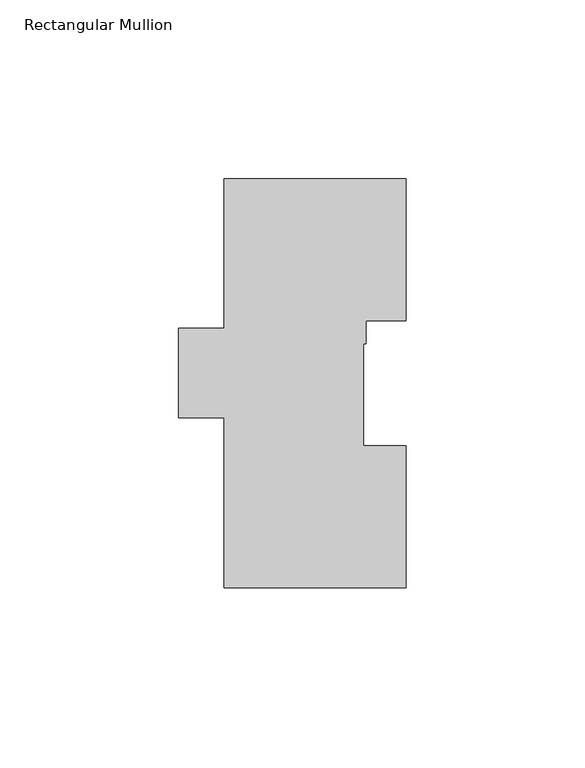
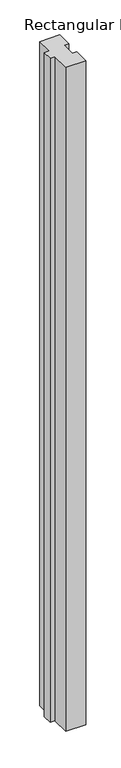
"""IFC4 building model written with IfcOpenShell, lengths in millimetres: member geometry, Rectangular Mullion."""

import ifcopenshell
import ifcopenshell.guid

model = None  # the IFC model being written
_history = None  # IfcOwnerHistory: only IFC2X3 demands one
_inside = {}  # id of a spatial element -> (the spatial element, [elements in it])
_under = {}  # id of a project, library or spatial element -> (it, [spatial elements below it])
_declared = {}  # id of a project -> (the project, [libraries it declares])
_typed = {}  # id of a type object -> (the type object, [elements of that type])
_made_of = {}  # id of a material, layer set ... -> (it, [elements and type objects made of it])


def new_model(schema):
    """Start an empty IFC model of exactly this schema.

    Asked for "IFC4X3", IfcOpenShell would pick the latest addendum, in which some entities
    have other attributes; the version numbers below select the first issue.
    IFC2X3 requires an IfcOwnerHistory on every rooted entity: one is made here for all.
    """
    global model, _history
    if schema == "IFC4X3":
        model = ifcopenshell.file(schema_version=(4, 3, 0, 0))
    else:
        model = ifcopenshell.file(schema=schema)
    _inside.clear()
    _under.clear()
    _declared.clear()
    _typed.clear()
    _made_of.clear()
    _history = None
    if model.schema == "IFC2X3":
        org = make("IfcOrganization", Name="unknown")
        user = make(
            "IfcPersonAndOrganization",
            ThePerson=make("IfcPerson", FamilyName="unknown"),
            TheOrganization=org,
        )
        app = make(
            "IfcApplication",
            ApplicationDeveloper=org,
            Version="unknown",
            ApplicationFullName="unknown",
            ApplicationIdentifier="unknown",
        )
        _history = make(
            "IfcOwnerHistory",
            OwningUser=user,
            OwningApplication=app,
            ChangeAction="ADDED",
            CreationDate=0,
        )
    return model


def make(cls, **values):
    """One entity of the class cls with the attributes given. An attribute that is None is left unset."""
    return model.create_entity(
        cls, **{name: value for name, value in values.items() if value is not None}
    )


def rooted(cls, **values):
    """An entity with a GlobalId (a new one), such as an element, a storey or a relation."""
    return make(cls, GlobalId=ifcopenshell.guid.new(), OwnerHistory=_history, **values)


def si_unit(unit_type, name, prefix=None):
    """IfcSIUnit, for example si_unit("LENGTHUNIT", "METRE", prefix="MILLI")."""
    return make("IfcSIUnit", UnitType=unit_type, Prefix=prefix, Name=name)


def assignment(units):
    """IfcUnitAssignment: the units of a project."""
    return None if units is None else make("IfcUnitAssignment", Units=units)


def point(xyz):
    """IfcCartesianPoint."""
    return None if xyz is None else make("IfcCartesianPoint", Coordinates=xyz)


def direction(xyz):
    """IfcDirection."""
    return None if xyz is None else make("IfcDirection", DirectionRatios=xyz)


def frame(location, z_axis=None, x_axis=None):
    """IfcAxis2Placement3D, a coordinate frame: its origin and axes. An axis left out is left unset."""
    return make(
        "IfcAxis2Placement3D",
        Location=point(location),
        Axis=direction(z_axis),
        RefDirection=direction(x_axis),
    )


def origin():
    """The frame at (0, 0, 0) with its axes left unset."""
    return frame((0.0, 0.0, 0.0))


def place(relative_to, where):
    """IfcLocalPlacement: puts the frame where relative to a parent placement (None: the world)."""
    return make(
        "IfcLocalPlacement", PlacementRelTo=relative_to, RelativePlacement=where
    )


def context(
    kind, dimensions, precision=None, world=None, true_north=None, identifier=None
):
    """IfcGeometricRepresentationContext, for example the 3D "Model" context."""
    return make(
        "IfcGeometricRepresentationContext",
        ContextIdentifier=identifier,
        ContextType=kind,
        CoordinateSpaceDimension=dimensions,
        Precision=precision,
        WorldCoordinateSystem=world,
        TrueNorth=true_north,
    )


def project(units=None, contexts=None):
    """IfcProject with its units and contexts."""
    return rooted(
        "IfcProject",
        Name="project",
        RepresentationContexts=contexts,
        UnitsInContext=assignment(units),
    )


def spatial(cls, under=None, at=None, **own):
    """A site, building, storey or space (cls), placed at a placement, below another one or the project."""
    s = rooted(cls, ObjectPlacement=at, **own)
    if under is not None:
        _under.setdefault(under.id(), (under, []))[1].append(s)
    return s


def polyline(points):
    """IfcPolyline through the points."""
    return make("IfcPolyline", Points=[point(p) for p in points])


def outline(outer, holes=None, kind="AREA"):
    """IfcArbitraryClosedProfileDef: a profile drawn as a closed curve; with holes, ...WithVoids."""
    if holes is None:
        return make("IfcArbitraryClosedProfileDef", ProfileType=kind, OuterCurve=outer)
    return make(
        "IfcArbitraryProfileDefWithVoids",
        ProfileType=kind,
        OuterCurve=outer,
        InnerCurves=holes,
    )


def extrude(swept, where, along, depth):
    """IfcExtrudedAreaSolid: the profile swept, set in the frame where, extruded along a direction by depth."""
    return make(
        "IfcExtrudedAreaSolid",
        SweptArea=swept,
        Position=where,
        ExtrudedDirection=direction(along),
        Depth=depth,
    )


def shape(context_of_items, identifier, shape_type, items):
    """IfcShapeRepresentation: the items that make up one representation, for example the "Body"."""
    return make(
        "IfcShapeRepresentation",
        ContextOfItems=context_of_items,
        RepresentationIdentifier=identifier,
        RepresentationType=shape_type,
        Items=items,
    )


def source(mapping_origin, context_of_items, identifier, shape_type, items):
    """IfcRepresentationMap: a shape defined once, which mapped items show again and again."""
    return make(
        "IfcRepresentationMap",
        MappingOrigin=mapping_origin,
        MappedRepresentation=shape(context_of_items, identifier, shape_type, items),
    )


def transform(
    local_origin,
    x_axis=None,
    y_axis=None,
    z_axis=None,
    scale=None,
    scale2=None,
    scale3=None,
    uniform=True,
):
    """IfcCartesianTransformationOperator3D, or its non-uniform kind. x_axis, y_axis, z_axis: its Axis1, 2, 3."""
    if uniform:
        return make(
            "IfcCartesianTransformationOperator3D",
            Axis1=direction(x_axis),
            Axis2=direction(y_axis),
            LocalOrigin=point(local_origin),
            Scale=scale,
            Axis3=direction(z_axis),
        )
    return make(
        "IfcCartesianTransformationOperator3DnonUniform",
        Axis1=direction(x_axis),
        Axis2=direction(y_axis),
        LocalOrigin=point(local_origin),
        Scale=scale,
        Axis3=direction(z_axis),
        Scale2=scale2,
        Scale3=scale3,
    )


def mapped(mapping_source, mapping_target):
    """IfcMappedItem: shows the shape of a source again, moved by a transform."""
    return make(
        "IfcMappedItem", MappingSource=mapping_source, MappingTarget=mapping_target
    )


def made_of(thing, what):
    """Note that an element or type object is made of a material, layer set ...; save() writes the relation."""
    if what is not None:
        _made_of.setdefault(what.id(), (what, []))[1].append(thing)
    return thing


def element(
    cls,
    number,
    at=None,
    inside=None,
    cuts=None,
    type_object=None,
    material=None,
    context=None,
    identifier="Body",
    shape_type=None,
    held_by="IfcProductDefinitionShape",
    body=None,
    shapes=None,
    **own,
):
    """One element of the class cls, such as IfcWall. Its Tag is "e" and its number.

    at: its placement. inside: the storey or other place that contains it. cuts: it is an
    opening in that element (IfcRelVoidsElement). A single representation is given by context,
    identifier, shape_type and body (its items); several are given by shapes. held_by: the class
    of the entity that holds the representations. save() writes the other relations.
    """
    e = rooted(cls, Tag="e%d" % number, ObjectPlacement=at, **own)
    if body is not None:
        shapes = [shape(context, identifier, shape_type, body)]
    if shapes is not None:
        e.Representation = make(held_by, Representations=shapes)
    if inside is not None:
        _inside.setdefault(inside.id(), (inside, []))[1].append(e)
    if cuts is not None:
        rooted(
            "IfcRelVoidsElement", RelatingBuildingElement=cuts, RelatedOpeningElement=e
        )
    if type_object is not None:
        _typed.setdefault(type_object.id(), (type_object, []))[1].append(e)
    return made_of(e, material)


def aggregate(whole, parts):
    """IfcRelAggregates: a whole, such as a stair, and the parts it consists of."""
    return rooted("IfcRelAggregates", RelatingObject=whole, RelatedObjects=parts)


def save(model, path):
    """Write the relations noted so far, then the file.

    IfcRelAggregates (storeys below a building ...), IfcRelContainedInSpatialStructure (elements
    in a storey), IfcRelDefinesByType, IfcRelAssociatesMaterial and IfcRelDeclares: one each for
    every whole, place, type object, material and project.
    """
    for whole, parts in _under.values():
        aggregate(whole, parts)
    for where, things in _inside.values():
        rooted(
            "IfcRelContainedInSpatialStructure",
            RelatedElements=things,
            RelatingStructure=where,
        )
    for kind, things in _typed.values():
        rooted("IfcRelDefinesByType", RelatedObjects=things, RelatingType=kind)
    for what, things in _made_of.values():
        rooted("IfcRelAssociatesMaterial", RelatedObjects=things, RelatingMaterial=what)
    for by, libraries in _declared.values():
        rooted("IfcRelDeclares", RelatingContext=by, RelatedDefinitions=libraries)
    model.write(path)


def rectangular_mullion_670192cf(model_context):
    return source(origin(), model_context, "Body", "SweptSolid", [
        extrude(outline(polyline([(0.0, 114.271425), (0.0, 74.596625), (-11.1252, 74.596625), (-11.1252, 68.246625), (-11.9126, 68.246625), (-11.9126, 39.646225), (0.0, 39.646225), (0.0, -0.028575), (-50.8, -0.028575), (-50.8, 47.596425), (-63.5, 47.596425), (-63.5, 72.564625), (-50.8, 72.564625), (-50.8, 114.271425), (0.0, 114.271425)])), frame((0.0, 0.0, -1790.7), z_axis=(0.0, 0.0, 1.0), x_axis=(1.0, 0.0, 0.0)), (0.0, 0.0, 1.0), 1790.7),
    ])


if __name__ == "__main__":
    model = new_model("IFC4")
    model_context = context("Model", 3, world=origin())
    ifc_project = project(units=[si_unit("LENGTHUNIT", "METRE", prefix="MILLI")], contexts=[model_context])
    site = spatial("IfcSite", under=ifc_project)
    building = spatial("IfcBuilding", under=site)
    placement = place(None, origin())
    rectangular_mullion_shape = rectangular_mullion_670192cf(model_context)
    element("IfcMember", 1, ObjectType="Rectangular Mullion", at=placement, inside=building, context=model_context, shape_type="MappedRepresentation", body=[
        mapped(rectangular_mullion_shape, transform((0.0, 0.0, 0.0), x_axis=(1.0, 0.0, 0.0), y_axis=(0.0, 1.0, 0.0), z_axis=(0.0, 0.0, 1.0))),
    ])
    save(model, "model.ifc")
